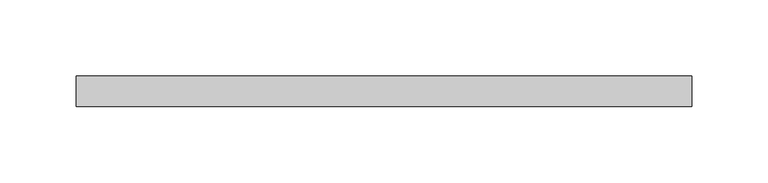
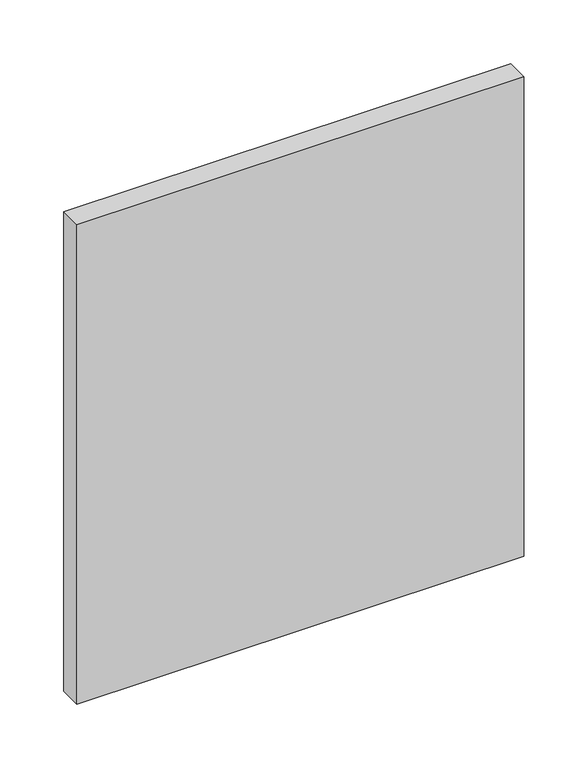
"""IFC4 building model written with IfcOpenShell, lengths in millimetres: plate geometry."""

from ifc_helpers import new_model, si_unit, origin, origin_with_axes, place, context, project, spatial, polyline, outline, extrude, source, transform, mapped, element, save


def plate_14cef1c1(model_context):
    return source(origin(), model_context, "Body", "SweptSolid", [
        extrude(outline(polyline([(201.8421053, -90.0), (-201.8421053, -90.0), (-201.8421053, -70.0), (201.8421053, -70.0), (201.8421053, -90.0)])), origin_with_axes(), (0.0, 0.0, 1.0), 457.7375),
    ])


if __name__ == "__main__":
    model = new_model("IFC4")
    model_context = context("Model", 3, world=origin())
    ifc_project = project(units=[si_unit("LENGTHUNIT", "METRE", prefix="MILLI")], contexts=[model_context])
    site = spatial("IfcSite", under=ifc_project)
    building = spatial("IfcBuilding", under=site)
    placement = place(None, origin())
    plate_shape = plate_14cef1c1(model_context)
    element("IfcPlate", 1, at=placement, inside=building, context=model_context, shape_type="MappedRepresentation", body=[
        mapped(plate_shape, transform((0.0, 0.0, 0.0), x_axis=(1.0, 0.0, 0.0), y_axis=(0.0, 1.0, 0.0), z_axis=(0.0, 0.0, 1.0))),
    ])
    save(model, "model.ifc")
